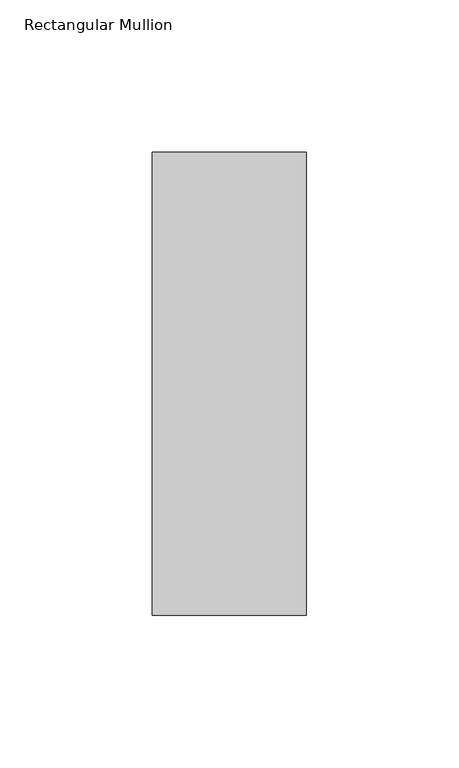
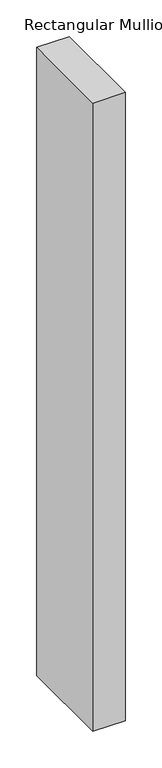
"""IFC4 building model written with IfcOpenShell, lengths in millimetres: member geometry, Rectangular Mullion."""

from ifc_helpers import new_model, si_unit, frame, origin, place, context, project, spatial, polyline, outline, extrude, source, transform, mapped, element, save


def rectangular_mullion_8a5bb368(model_context):
    return source(origin(), model_context, "Body", "SweptSolid", [
        extrude(outline(polyline([(-25.4000628, 26.19375), (25.3999372, 26.19375), (25.3999372, -126.20625), (-25.4000628, -126.20625), (-25.4000628, 26.19375)])), frame((0.0, 0.0, -1042.56492), z_axis=(0.0, 0.0, 1.0), x_axis=(1.0, 0.0, 0.0)), (0.0, 0.0, 1.0), 1042.56492),
    ])


if __name__ == "__main__":
    model = new_model("IFC4")
    model_context = context("Model", 3, world=origin())
    ifc_project = project(units=[si_unit("LENGTHUNIT", "METRE", prefix="MILLI")], contexts=[model_context])
    site = spatial("IfcSite", under=ifc_project)
    building = spatial("IfcBuilding", under=site)
    placement = place(None, origin())
    rectangular_mullion_shape = rectangular_mullion_8a5bb368(model_context)
    element("IfcMember", 1, ObjectType="Rectangular Mullion", at=placement, inside=building, context=model_context, shape_type="MappedRepresentation", body=[
        mapped(rectangular_mullion_shape, transform((0.0, 0.0, 0.0), x_axis=(1.0, 0.0, 0.0), y_axis=(0.0, 1.0, 0.0), z_axis=(0.0, 0.0, 1.0))),
    ])
    save(model, "model.ifc")
